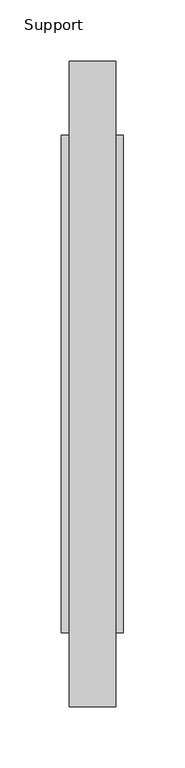
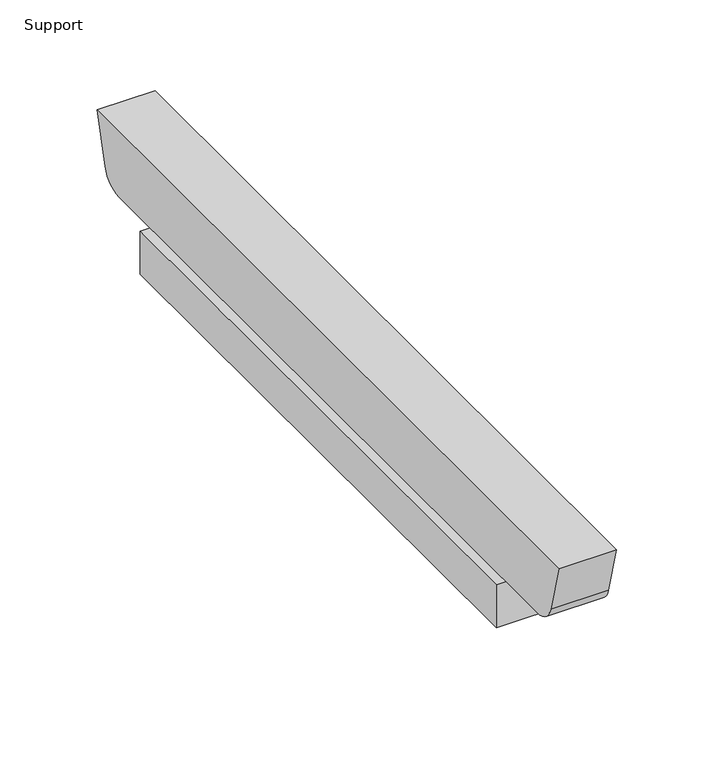
"""IFC4 building model written with IfcOpenShell, lengths in millimetres: furniture geometry, Support."""

from ifc_helpers import new_model, si_unit, point, frame, frame_2d, origin, place, context, project, spatial, polyline, circle_curve, trimmed, segment, composite_curve, outline, extrude, source, transform, mapped, element, save


def support_eacdca06(model_context):
    return source(origin(), model_context, "Body", "SweptSolid", [
        extrude(outline(composite_curve([segment(polyline([(6.8722266, 711.2), (533.9222266, 711.2), (524.8641258, 677.3947076)]), True, "CONTINUOUS"), segment(trimmed(circle_curve(frame_2d((509.5300533, 681.5034599)), 15.875), [point((524.8641258, 677.3947076))], [point((509.5300533, 665.6284599))], False, "CARTESIAN"), True, "CONTINUOUS"), segment(polyline([(509.5300533, 665.6284599), (31.2643999, 665.6284599)]), True, "CONTINUOUS"), segment(trimmed(circle_curve(frame_2d((31.2643999, 681.5034599)), 15.875), [point((31.2643999, 665.6284599))], [point((15.9303274, 677.3947076))], False, "CARTESIAN"), True, "CONTINUOUS"), segment(polyline([(15.9303274, 677.3947076), (6.8722266, 711.2)]), True, "CONTINUOUS")], self_intersect=False)), frame((196.85, 0.0, 0.0), z_axis=(1.0, 0.0, 0.0), x_axis=(0.0, 1.0, 0.0)), (0.0, 0.0, 1.0), 38.1),
        extrude(outline(polyline([(241.3, 67.1972266), (190.5, 67.1972266), (190.5, 473.5972266), (241.3, 473.5972266), (241.3, 67.1972266)])), frame((0.0, 0.0, 635.6476591), z_axis=(0.0, 0.0, 1.0), x_axis=(1.0, 0.0, 0.0)), (0.0, 0.0, 1.0), 29.9808008),
    ])


if __name__ == "__main__":
    model = new_model("IFC4")
    model_context = context("Model", 3, world=origin())
    ifc_project = project(units=[si_unit("LENGTHUNIT", "METRE", prefix="MILLI")], contexts=[model_context])
    site = spatial("IfcSite", under=ifc_project)
    building = spatial("IfcBuilding", under=site)
    placement = place(None, origin())
    support_shape = support_eacdca06(model_context)
    element("IfcFurniture", 1, ObjectType="Support", at=placement, inside=building, context=model_context, shape_type="MappedRepresentation", body=[
        mapped(support_shape, transform((0.0, 0.0, 0.0), x_axis=(1.0, 0.0, 0.0), y_axis=(0.0, 1.0, 0.0), z_axis=(0.0, 0.0, 1.0))),
    ])
    save(model, "model.ifc")
